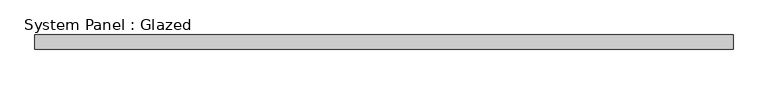
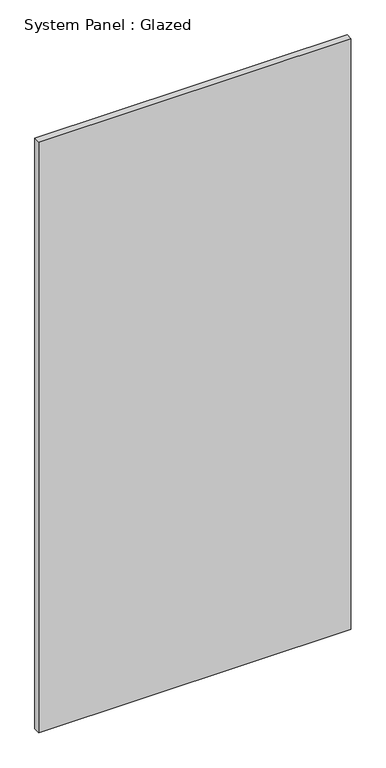
"""IFC4 building model written with IfcOpenShell, lengths in millimetres: plate geometry, System Panel : Glazed."""

from ifc_helpers import new_model, si_unit, origin, origin_with_axes, place, context, project, spatial, polyline, outline, extrude, source, transform, mapped, element, save


def system_panel_glazed_db6a1885(model_context):
    return source(origin(), model_context, "Body", "SweptSolid", [
        extrude(outline(polyline([(608.9698783, -44.45), (-608.9698783, -44.45), (-608.9698783, -19.05), (608.9698783, -19.05), (608.9698783, -44.45)])), origin_with_axes(), (0.0, 0.0, 1.0), 2438.4),
    ])


if __name__ == "__main__":
    model = new_model("IFC4")
    model_context = context("Model", 3, world=origin())
    ifc_project = project(units=[si_unit("LENGTHUNIT", "METRE", prefix="MILLI")], contexts=[model_context])
    site = spatial("IfcSite", under=ifc_project)
    building = spatial("IfcBuilding", under=site)
    placement = place(None, origin())
    system_panel_glazed_shape = system_panel_glazed_db6a1885(model_context)
    element("IfcPlate", 1, ObjectType="System Panel : Glazed", at=placement, inside=building, context=model_context, shape_type="MappedRepresentation", body=[
        mapped(system_panel_glazed_shape, transform((0.0, 0.0, 0.0), x_axis=(1.0, 0.0, 0.0), y_axis=(0.0, 1.0, 0.0), z_axis=(0.0, 0.0, 1.0))),
    ])
    save(model, "model.ifc")
